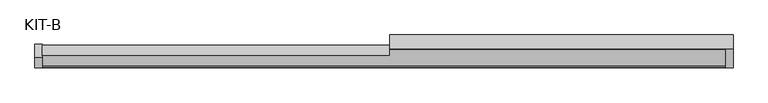
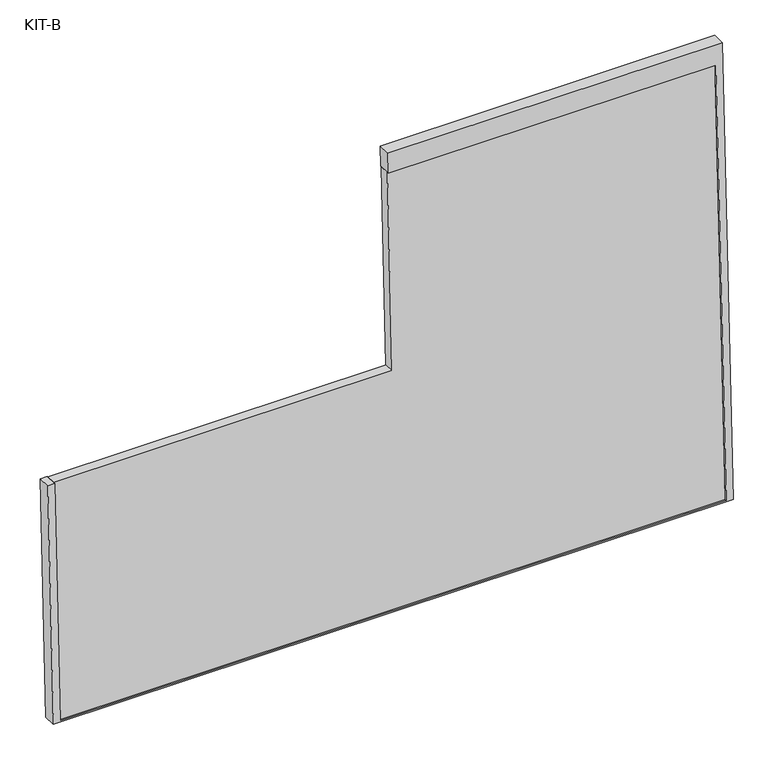
"""IFC4 building model written with IfcOpenShell, lengths in millimetres: plate geometry, KIT-B."""

from ifc_helpers import new_model, si_unit, frame, origin, place, context, project, spatial, polyline, outline, extrude, source, transform, mapped, element, save


def kit_b_68333155(model_context):
    return source(origin(), model_context, "Body", "SweptSolid", [
        extrude(outline(polyline([(0.0, -1754.0), (-1186.531593, -1754.0), (-1186.531593, 0.0), (-540.0, 0.0), (-540.0, -891.5), (0.0, -891.5), (0.0, -1754.0)])), frame((-877.0, 5.6533873, 1135.0792992), z_axis=(0.0, -0.9992101801000246, 0.039736834102334216), x_axis=(0.0, 0.039736834102334216, 0.9992101801000246)), (0.0, 0.0, 1.0), 27.4505712),
        extrude(outline(polyline([(0.0, -1791.0), (-1245.0000001, -1791.0), (-1245.0000001, 0.0), (-595.0, 0.0), (-595.0, -18.5), (-1241.531593, -18.5), (-1241.531593, -1772.5), (-55.0, -1772.5), (-55.0, -910.0), (0.0, -910.0), (0.0, -1791.0)])), frame((-895.5, 10.3863283, 1189.9345529), z_axis=(0.0, -0.9992101801000247, 0.03973683410233422), x_axis=(0.0, 0.03973683410233422, 0.9992101801000247)), (0.0, 0.0, 1.0), 35.0),
    ])


if __name__ == "__main__":
    model = new_model("IFC4")
    model_context = context("Model", 3, world=origin())
    ifc_project = project(units=[si_unit("LENGTHUNIT", "METRE", prefix="MILLI")], contexts=[model_context])
    site = spatial("IfcSite", under=ifc_project)
    building = spatial("IfcBuilding", under=site)
    placement = place(None, origin())
    kit_b_shape = kit_b_68333155(model_context)
    element("IfcPlate", 1, ObjectType="KIT-B", at=placement, inside=building, context=model_context, shape_type="MappedRepresentation", body=[
        mapped(kit_b_shape, transform((0.0, 0.0, 0.0), x_axis=(1.0, 0.0, 0.0), y_axis=(0.0, 1.0, 0.0), z_axis=(0.0, 0.0, 1.0))),
    ])
    save(model, "model.ifc")
